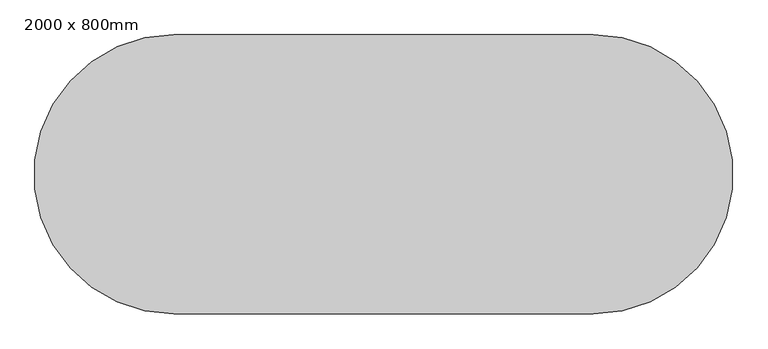
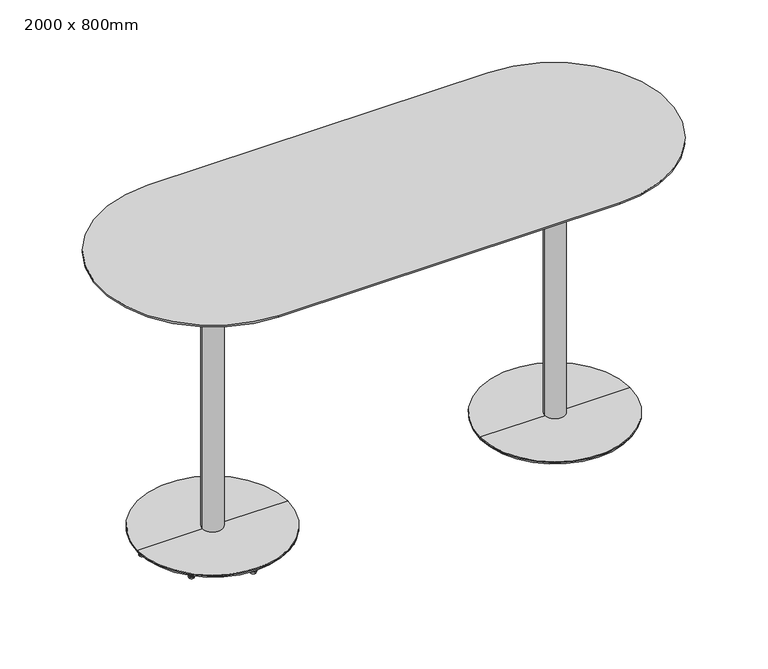
"""IFC4 building model written with IfcOpenShell, lengths in millimetres: furniture geometry, 2000 x 800mm."""

from ifc_helpers import new_model, si_unit, point, frame, frame_2d, origin, origin_2d, place, context, project, spatial, polyline, circle_curve, trimmed, segment, composite_curve, outline, extrude, source, transform, mapped, element, save
from ifc_brep_helpers import plane_surface, cylinder_surface, revolved_surface, advanced_brep


def furniture_2000_x_800mm_c455bba6(model_context):
    return source(origin(), model_context, "Body", "SolidModel", [
        advanced_brep(
        [(1206.1968359, 0.0, 22.6762868), (1470.4637976, 0.0, 22.6762868), (941.9298743, 0.0, 22.6762868), (1470.4637976, 0.0, 19.596791), (941.9298743, 0.0, 19.596791), (1468.5040424, 0.0, 19.596791), (943.8896295, 0.0, 19.596791), (1468.5040424, 0.0, 13.7177537), (943.8896295, 0.0, 13.7177537), (1206.1968359, 0.0, 13.7177537)],
        [
            (0, 1),
            (1, 2, circle_curve(frame((1206.1968359, 0.0, 22.6762868), z_axis=(0.0, 0.0, 1.0), x_axis=(1.0, 0.0, 0.0)), 264.2669616)),
            (2, 0),
            (2, 1, circle_curve(frame((1206.1968359, 0.0, 22.6762868), z_axis=(0.0, 0.0, 1.0), x_axis=(1.0, 0.0, 0.0)), 264.2669616)),
            (1, 3),
            (3, 4, circle_curve(frame((1206.1968359, 0.0, 19.596791), z_axis=(0.0, 0.0, 1.0), x_axis=(1.0, 0.0, 0.0)), 264.2669616)),
            (4, 2),
            (4, 3, circle_curve(frame((1206.1968359, 0.0, 19.596791), z_axis=(0.0, 0.0, 1.0), x_axis=(1.0, 0.0, 0.0)), 264.2669616)),
            (3, 5),
            (5, 6, circle_curve(frame((1206.1968359, 0.0, 19.596791), z_axis=(0.0, 0.0, 1.0), x_axis=(1.0, 0.0, 0.0)), 262.3072064)),
            (6, 4),
            (6, 5, circle_curve(frame((1206.1968359, 0.0, 19.596791), z_axis=(0.0, 0.0, 1.0), x_axis=(1.0, 0.0, 0.0)), 262.3072064)),
            (5, 7),
            (7, 8, circle_curve(frame((1206.1968359, 0.0, 13.7177537), z_axis=(0.0, 0.0, 1.0), x_axis=(1.0, 0.0, 0.0)), 262.3072064)),
            (8, 6),
            (8, 7, circle_curve(frame((1206.1968359, 0.0, 13.7177537), z_axis=(0.0, 0.0, 1.0), x_axis=(1.0, 0.0, 0.0)), 262.3072064)),
            (7, 9),
            (9, 8),
        ],
        [
            plane_surface(frame((1206.1968359, 0.0, 22.6762868), z_axis=(0.0, 0.0, 1.0), x_axis=(1.0, 0.0, 0.0))),
            cylinder_surface(frame((1206.1968359, 0.0, 22.6762868), z_axis=(0.0, 0.0, 1.0), x_axis=(1.0, 0.0, 0.0)), 264.2669616),
            plane_surface(frame((1206.1968359, 0.0, 19.596791), z_axis=(0.0, 0.0, -1.0), x_axis=(1.0, 0.0, 0.0))),
            cylinder_surface(frame((1206.1968359, 0.0, 22.6762868), z_axis=(0.0, 0.0, 1.0), x_axis=(1.0, 0.0, 0.0)), 262.3072064),
            plane_surface(frame((1206.1968359, 0.0, 13.7177537), z_axis=(0.0, 0.0, -1.0), x_axis=(1.0, 0.0, 0.0))),
        ],
        [
            (0, [[1, 2, 3]]),
            (0, [[-3, 4, -1]]),
            (1, [[-2, 5, 6, 7]]),
            (1, [[-4, -7, 8, -5]]),
            (2, [[-6, 9, 10, 11]]),
            (2, [[-8, -11, 12, -9]]),
            (3, [[-10, 13, 14, 15]]),
            (3, [[-12, -15, 16, -13]]),
            (4, [[-14, 17, 18]]),
            (4, [[-16, -18, -17]]),
        ],
    ),
        extrude(outline(composite_curve([segment(trimmed(circle_curve(frame_2d((1206.1968359, 0.0)), 35.56), [point((1241.7568359, 0.0))], [point((1170.6368359, 0.0))], False, "CARTESIAN"), True, "CONTINUOUS"), segment(trimmed(circle_curve(frame_2d((1206.1968359, 0.0)), 35.56), [point((1170.6368359, 0.0))], [point((1241.7568359, 0.0))], False, "CARTESIAN"), True, "CONTINUOUS")], self_intersect=False)), frame((0.0, 0.0, 22.6762868), z_axis=(0.0, 0.0, 1.0), x_axis=(1.0, 0.0, 0.0)), (0.0, 0.0, 1.0), 996.2488017),
        extrude(outline(polyline([(99.9999478, 168.5153562), (200.0000157, -4.6903452), (99.9999445, -177.8950728), (-99.9999356, -177.8950728), (-199.9997435, -4.6898216), (-99.9999478, 168.5153562), (99.9999478, 168.5153562)])), frame((0.0, 0.0, 1018.9250885), z_axis=(0.0, 0.0, 1.0), x_axis=(1.0, 0.0, 0.0)), (0.0, 0.0, 1.0), 5.0391748),
        advanced_brep(
        [(-175.8897158, 176.3714444, 13.7177537), (-182.3758839, 176.3714444, 13.7177537), (-169.4035477, 176.3714444, 13.7177537), (-182.3758839, 176.3714444, 9.5464368), (-169.4035477, 176.3714444, 9.5464368), (-179.2346763, 176.3714444, 9.5464368), (-172.5447553, 176.3714444, 9.5464368), (-179.2346763, 176.3714444, 6.7188998), (-172.5447553, 176.3714444, 6.7188998), (-182.935814, 176.3714444, 6.7188998), (-168.8436177, 176.3714444, 6.7188998), (-182.935814, 176.3714444, 5.5990832), (-168.8436177, 176.3714444, 5.5990832), (-186.0154293, 176.3714444, 5.5990832), (-165.7640024, 176.3714444, 5.5990832), (-184.8955692, 176.3714444, 0.0), (-166.8838625, 176.3714444, 0.0), (-175.8897158, 176.3714444, 0.0)],
        [
            (0, 1),
            (1, 2, circle_curve(frame((-175.8897158, 176.3714444, 13.7177537), z_axis=(0.0, 0.0, 1.0), x_axis=(-1.0, 0.0, 0.0)), 6.4861681)),
            (2, 0),
            (2, 1, circle_curve(frame((-175.8897158, 176.3714444, 13.7177537), z_axis=(0.0, 0.0, 1.0), x_axis=(-1.0, 0.0, 0.0)), 6.4861681)),
            (1, 3),
            (3, 4, circle_curve(frame((-175.8897158, 176.3714444, 9.5464368), z_axis=(0.0, 0.0, 1.0), x_axis=(-1.0, 0.0, 0.0)), 6.4861681)),
            (4, 2),
            (4, 3, circle_curve(frame((-175.8897158, 176.3714444, 9.5464368), z_axis=(0.0, 0.0, 1.0), x_axis=(-1.0, 0.0, 0.0)), 6.4861681)),
            (3, 5),
            (5, 6, circle_curve(frame((-175.8897158, 176.3714444, 9.5464368), z_axis=(0.0, 0.0, 1.0), x_axis=(-1.0, 0.0, 0.0)), 3.3449605)),
            (6, 4),
            (6, 5, circle_curve(frame((-175.8897158, 176.3714444, 9.5464368), z_axis=(0.0, 0.0, 1.0), x_axis=(-1.0, 0.0, 0.0)), 3.3449605)),
            (5, 7),
            (7, 8, circle_curve(frame((-175.8897158, 176.3714444, 6.7188998), z_axis=(0.0, 0.0, 1.0), x_axis=(-1.0, 0.0, 0.0)), 3.3449605)),
            (8, 6),
            (8, 7, circle_curve(frame((-175.8897158, 176.3714444, 6.7188998), z_axis=(0.0, 0.0, 1.0), x_axis=(-1.0, 0.0, 0.0)), 3.3449605)),
            (7, 9),
            (9, 10, circle_curve(frame((-175.8897158, 176.3714444, 6.7188998), z_axis=(0.0, 0.0, 1.0), x_axis=(-1.0, 0.0, 0.0)), 7.0460981)),
            (10, 8),
            (10, 9, circle_curve(frame((-175.8897158, 176.3714444, 6.7188998), z_axis=(0.0, 0.0, 1.0), x_axis=(-1.0, 0.0, 0.0)), 7.0460981)),
            (9, 11),
            (11, 12, circle_curve(frame((-175.8897158, 176.3714444, 5.5990832), z_axis=(0.0, 0.0, 1.0), x_axis=(-1.0, 0.0, 0.0)), 7.0460981)),
            (12, 10),
            (12, 11, circle_curve(frame((-175.8897158, 176.3714444, 5.5990832), z_axis=(0.0, 0.0, 1.0), x_axis=(-1.0, 0.0, 0.0)), 7.0460981)),
            (11, 13),
            (13, 14, circle_curve(frame((-175.8897158, 176.3714444, 5.5990832), z_axis=(0.0, 0.0, 1.0), x_axis=(-1.0, 0.0, 0.0)), 10.1257135)),
            (14, 12),
            (14, 13, circle_curve(frame((-175.8897158, 176.3714444, 5.5990832), z_axis=(0.0, 0.0, 1.0), x_axis=(-1.0, 0.0, 0.0)), 10.1257135)),
            (13, 15),
            (15, 16, circle_curve(frame((-175.8897158, 176.3714444, 0.0), z_axis=(0.0, 0.0, 1.0), x_axis=(-1.0, 0.0, 0.0)), 9.0058533)),
            (16, 14),
            (16, 15, circle_curve(frame((-175.8897158, 176.3714444, 0.0), z_axis=(0.0, 0.0, 1.0), x_axis=(-1.0, 0.0, 0.0)), 9.0058533)),
            (15, 17),
            (17, 16),
        ],
        [
            plane_surface(frame((-175.8897158, 176.3714444, 13.7177537), z_axis=(0.0, 0.0, 1.0), x_axis=(-1.0, 0.0, 0.0))),
            cylinder_surface(frame((-175.8897158, 176.3714444, 9.5464368), z_axis=(0.0, 0.0, 1.0), x_axis=(-1.0, 0.0, 0.0)), 6.4861681),
            plane_surface(frame((-175.8897158, 176.3714444, 9.5464368), z_axis=(0.0, 0.0, -1.0), x_axis=(-1.0, 0.0, 0.0))),
            cylinder_surface(frame((-175.8897158, 176.3714444, 9.5464368), z_axis=(0.0, 0.0, 1.0), x_axis=(-1.0, 0.0, 0.0)), 3.3449605),
            plane_surface(frame((-175.8897158, 176.3714444, 6.7188998), z_axis=(0.0, 0.0, 1.0), x_axis=(-1.0, 0.0, 0.0))),
            cylinder_surface(frame((-175.8897158, 176.3714444, 9.5464368), z_axis=(0.0, 0.0, 1.0), x_axis=(-1.0, 0.0, 0.0)), 7.0460981),
            plane_surface(frame((-175.8897158, 176.3714444, 5.5990832), z_axis=(0.0, 0.0, 1.0), x_axis=(-1.0, 0.0, 0.0))),
            revolved_surface(polyline([(-184.8955692, 176.3714444, 0.0), (-186.0154293, 176.3714444, 5.5990832)]), (-175.8897158, 176.3714444, 9.5464368), (0.0, 0.0, 1.0)),
            plane_surface(frame((-175.8897158, 176.3714444, 0.0), z_axis=(0.0, 0.0, -1.0), x_axis=(-1.0, 0.0, 0.0))),
        ],
        [
            (0, [[1, 2, 3]]),
            (0, [[-3, 4, -1]]),
            (1, [[-2, 5, 6, 7]]),
            (1, [[-4, -7, 8, -5]]),
            (2, [[-6, 9, 10, 11]]),
            (2, [[-8, -11, 12, -9]]),
            (3, [[-10, 13, 14, 15]]),
            (3, [[-12, -15, 16, -13]]),
            (4, [[-14, 17, 18, 19]]),
            (4, [[-16, -19, 20, -17]]),
            (5, [[-18, 21, 22, 23]]),
            (5, [[-20, -23, 24, -21]]),
            (6, [[-22, 25, 26, 27]]),
            (6, [[-24, -27, 28, -25]]),
            (7, [[-26, 29, 30, 31]]),
            (7, [[-28, -31, 32, -29]]),
            (8, [[-30, 33, 34]]),
            (8, [[-32, -34, -33]]),
        ],
    ),
        advanced_brep(
        [(176.3714444, -169.4035477, 13.7177537), (176.3714444, -182.3758839, 13.7177537), (176.3714444, -175.8897158, 13.7177537), (176.3714444, -169.4035477, 9.5464368), (176.3714444, -182.3758839, 9.5464368), (176.3714444, -172.5447553, 9.5464368), (176.3714444, -179.2346763, 9.5464368), (176.3714444, -172.5447553, 6.7188998), (176.3714444, -179.2346763, 6.7188998), (176.3714444, -168.8436177, 6.7188998), (176.3714444, -182.935814, 6.7188998), (176.3714444, -168.8436177, 5.5990832), (176.3714444, -182.935814, 5.5990832), (176.3714444, -165.7640024, 5.5990832), (176.3714444, -186.0154293, 5.5990832), (176.3714444, -166.8838625, 0.0), (176.3714444, -184.8955692, 0.0), (176.3714444, -175.8897158, 0.0)],
        [
            (0, 1, circle_curve(frame((176.3714444, -175.8897158, 13.7177537), z_axis=(0.0, 0.0, 1.0), x_axis=(0.0, -1.0, 0.0)), 6.4861681)),
            (1, 2),
            (2, 0),
            (1, 0, circle_curve(frame((176.3714444, -175.8897158, 13.7177537), z_axis=(0.0, 0.0, 1.0), x_axis=(0.0, -1.0, 0.0)), 6.4861681)),
            (3, 4, circle_curve(frame((176.3714444, -175.8897158, 9.5464368), z_axis=(0.0, 0.0, 1.0), x_axis=(0.0, -1.0, 0.0)), 6.4861681)),
            (4, 1),
            (0, 3),
            (4, 3, circle_curve(frame((176.3714444, -175.8897158, 9.5464368), z_axis=(0.0, 0.0, 1.0), x_axis=(0.0, -1.0, 0.0)), 6.4861681)),
            (5, 6, circle_curve(frame((176.3714444, -175.8897158, 9.5464368), z_axis=(0.0, 0.0, 1.0), x_axis=(0.0, -1.0, 0.0)), 3.3449605)),
            (6, 4),
            (3, 5),
            (6, 5, circle_curve(frame((176.3714444, -175.8897158, 9.5464368), z_axis=(0.0, 0.0, 1.0), x_axis=(0.0, -1.0, 0.0)), 3.3449605)),
            (7, 8, circle_curve(frame((176.3714444, -175.8897158, 6.7188998), z_axis=(0.0, 0.0, 1.0), x_axis=(0.0, -1.0, 0.0)), 3.3449605)),
            (8, 6),
            (5, 7),
            (8, 7, circle_curve(frame((176.3714444, -175.8897158, 6.7188998), z_axis=(0.0, 0.0, 1.0), x_axis=(0.0, -1.0, 0.0)), 3.3449605)),
            (9, 10, circle_curve(frame((176.3714444, -175.8897158, 6.7188998), z_axis=(0.0, 0.0, 1.0), x_axis=(0.0, -1.0, 0.0)), 7.0460981)),
            (10, 8),
            (7, 9),
            (10, 9, circle_curve(frame((176.3714444, -175.8897158, 6.7188998), z_axis=(0.0, 0.0, 1.0), x_axis=(0.0, -1.0, 0.0)), 7.0460981)),
            (11, 12, circle_curve(frame((176.3714444, -175.8897158, 5.5990832), z_axis=(0.0, 0.0, 1.0), x_axis=(0.0, -1.0, 0.0)), 7.0460981)),
            (12, 10),
            (9, 11),
            (12, 11, circle_curve(frame((176.3714444, -175.8897158, 5.5990832), z_axis=(0.0, 0.0, 1.0), x_axis=(0.0, -1.0, 0.0)), 7.0460981)),
            (13, 14, circle_curve(frame((176.3714444, -175.8897158, 5.5990832), z_axis=(0.0, 0.0, 1.0), x_axis=(0.0, -1.0, 0.0)), 10.1257135)),
            (14, 12),
            (11, 13),
            (14, 13, circle_curve(frame((176.3714444, -175.8897158, 5.5990832), z_axis=(0.0, 0.0, 1.0), x_axis=(0.0, -1.0, 0.0)), 10.1257135)),
            (15, 16, circle_curve(frame((176.3714444, -175.8897158, 0.0), z_axis=(0.0, 0.0, 1.0), x_axis=(0.0, -1.0, 0.0)), 9.0058533)),
            (16, 14),
            (13, 15),
            (16, 15, circle_curve(frame((176.3714444, -175.8897158, 0.0), z_axis=(0.0, 0.0, 1.0), x_axis=(0.0, -1.0, 0.0)), 9.0058533)),
            (17, 16),
            (15, 17),
        ],
        [
            plane_surface(frame((176.3714444, -175.8897158, 13.7177537), z_axis=(0.0, 0.0, 1.0), x_axis=(0.0, -1.0, 0.0))),
            cylinder_surface(frame((176.3714444, -175.8897158, 9.5464368), z_axis=(0.0, 0.0, -1.0), x_axis=(0.0, -1.0, 0.0)), 6.4861681),
            plane_surface(frame((176.3714444, -175.8897158, 9.5464368), z_axis=(0.0, 0.0, -1.0), x_axis=(0.0, -1.0, 0.0))),
            cylinder_surface(frame((176.3714444, -175.8897158, 9.5464368), z_axis=(0.0, 0.0, -1.0), x_axis=(0.0, -1.0, 0.0)), 3.3449605),
            plane_surface(frame((176.3714444, -175.8897158, 6.7188998), z_axis=(0.0, 0.0, 1.0), x_axis=(0.0, -1.0, 0.0))),
            cylinder_surface(frame((176.3714444, -175.8897158, 9.5464368), z_axis=(0.0, 0.0, -1.0), x_axis=(0.0, -1.0, 0.0)), 7.0460981),
            plane_surface(frame((176.3714444, -175.8897158, 5.5990832), z_axis=(0.0, 0.0, 1.0), x_axis=(0.0, -1.0, 0.0))),
            revolved_surface(polyline([(176.3714444, -186.0154293, 5.5990832), (176.3714444, -184.8955692, 0.0)]), (176.3714444, -175.8897158, 9.5464368), (0.0, 0.0, -1.0)),
            plane_surface(frame((176.3714444, -175.8897158, 0.0), z_axis=(0.0, 0.0, -1.0), x_axis=(0.0, -1.0, 0.0))),
        ],
        [
            (0, [[1, 2, 3]]),
            (0, [[4, -3, -2]]),
            (1, [[5, 6, -1, 7]]),
            (1, [[8, -7, -4, -6]]),
            (2, [[9, 10, -5, 11]]),
            (2, [[12, -11, -8, -10]]),
            (3, [[13, 14, -9, 15]]),
            (3, [[16, -15, -12, -14]]),
            (4, [[17, 18, -13, 19]]),
            (4, [[20, -19, -16, -18]]),
            (5, [[21, 22, -17, 23]]),
            (5, [[24, -23, -20, -22]]),
            (6, [[25, 26, -21, 27]]),
            (6, [[28, -27, -24, -26]]),
            (7, [[29, 30, -25, 31]]),
            (7, [[32, -31, -28, -30]]),
            (8, [[33, -29, 34]]),
            (8, [[-34, -32, -33]]),
        ],
    ),
        advanced_brep(
        [(-176.3170223, -170.3861024, 13.7177537), (-176.3170223, -183.3584386, 13.7177537), (-176.3170223, -176.8722705, 13.7177537), (-176.3170223, -170.3861024, 9.5464368), (-176.3170223, -183.3584386, 9.5464368), (-176.3170223, -173.52731, 9.5464368), (-176.3170223, -180.217231, 9.5464368), (-176.3170223, -173.52731, 6.7188998), (-176.3170223, -180.217231, 6.7188998), (-176.3170223, -169.8261723, 6.7188998), (-176.3170223, -183.9183686, 6.7188998), (-176.3170223, -169.8261723, 5.5990832), (-176.3170223, -183.9183686, 5.5990832), (-176.3170223, -166.746557, 5.5990832), (-176.3170223, -186.9979839, 5.5990832), (-176.3170223, -167.8664171, 0.0), (-176.3170223, -185.8781238, 0.0), (-176.3170223, -176.8722705, 0.0)],
        [
            (0, 1, circle_curve(frame((-176.3170223, -176.8722705, 13.7177537), z_axis=(0.0, 0.0, 1.0), x_axis=(0.0, -1.0, 0.0)), 6.4861681)),
            (1, 2),
            (2, 0),
            (1, 0, circle_curve(frame((-176.3170223, -176.8722705, 13.7177537), z_axis=(0.0, 0.0, 1.0), x_axis=(0.0, -1.0, 0.0)), 6.4861681)),
            (3, 4, circle_curve(frame((-176.3170223, -176.8722705, 9.5464368), z_axis=(0.0, 0.0, 1.0), x_axis=(0.0, -1.0, 0.0)), 6.4861681)),
            (4, 1),
            (0, 3),
            (4, 3, circle_curve(frame((-176.3170223, -176.8722705, 9.5464368), z_axis=(0.0, 0.0, 1.0), x_axis=(0.0, -1.0, 0.0)), 6.4861681)),
            (5, 6, circle_curve(frame((-176.3170223, -176.8722705, 9.5464368), z_axis=(0.0, 0.0, 1.0), x_axis=(0.0, -1.0, 0.0)), 3.3449605)),
            (6, 4),
            (3, 5),
            (6, 5, circle_curve(frame((-176.3170223, -176.8722705, 9.5464368), z_axis=(0.0, 0.0, 1.0), x_axis=(0.0, -1.0, 0.0)), 3.3449605)),
            (7, 8, circle_curve(frame((-176.3170223, -176.8722705, 6.7188998), z_axis=(0.0, 0.0, 1.0), x_axis=(0.0, -1.0, 0.0)), 3.3449605)),
            (8, 6),
            (5, 7),
            (8, 7, circle_curve(frame((-176.3170223, -176.8722705, 6.7188998), z_axis=(0.0, 0.0, 1.0), x_axis=(0.0, -1.0, 0.0)), 3.3449605)),
            (9, 10, circle_curve(frame((-176.3170223, -176.8722705, 6.7188998), z_axis=(0.0, 0.0, 1.0), x_axis=(0.0, -1.0, 0.0)), 7.0460981)),
            (10, 8),
            (7, 9),
            (10, 9, circle_curve(frame((-176.3170223, -176.8722705, 6.7188998), z_axis=(0.0, 0.0, 1.0), x_axis=(0.0, -1.0, 0.0)), 7.0460981)),
            (11, 12, circle_curve(frame((-176.3170223, -176.8722705, 5.5990832), z_axis=(0.0, 0.0, 1.0), x_axis=(0.0, -1.0, 0.0)), 7.0460981)),
            (12, 10),
            (9, 11),
            (12, 11, circle_curve(frame((-176.3170223, -176.8722705, 5.5990832), z_axis=(0.0, 0.0, 1.0), x_axis=(0.0, -1.0, 0.0)), 7.0460981)),
            (13, 14, circle_curve(frame((-176.3170223, -176.8722705, 5.5990832), z_axis=(0.0, 0.0, 1.0), x_axis=(0.0, -1.0, 0.0)), 10.1257135)),
            (14, 12),
            (11, 13),
            (14, 13, circle_curve(frame((-176.3170223, -176.8722705, 5.5990832), z_axis=(0.0, 0.0, 1.0), x_axis=(0.0, -1.0, 0.0)), 10.1257135)),
            (15, 16, circle_curve(frame((-176.3170223, -176.8722705, 0.0), z_axis=(0.0, 0.0, 1.0), x_axis=(0.0, -1.0, 0.0)), 9.0058533)),
            (16, 14),
            (13, 15),
            (16, 15, circle_curve(frame((-176.3170223, -176.8722705, 0.0), z_axis=(0.0, 0.0, 1.0), x_axis=(0.0, -1.0, 0.0)), 9.0058533)),
            (17, 16),
            (15, 17),
        ],
        [
            plane_surface(frame((-176.3170223, -176.8722705, 13.7177537), z_axis=(0.0, 0.0, 1.0), x_axis=(0.0, -1.0, 0.0))),
            cylinder_surface(frame((-176.3170223, -176.8722705, 9.5464368), z_axis=(0.0, 0.0, -1.0), x_axis=(0.0, -1.0, 0.0)), 6.4861681),
            plane_surface(frame((-176.3170223, -176.8722705, 9.5464368), z_axis=(0.0, 0.0, -1.0), x_axis=(0.0, -1.0, 0.0))),
            cylinder_surface(frame((-176.3170223, -176.8722705, 9.5464368), z_axis=(0.0, 0.0, -1.0), x_axis=(0.0, -1.0, 0.0)), 3.3449605),
            plane_surface(frame((-176.3170223, -176.8722705, 6.7188998), z_axis=(0.0, 0.0, 1.0), x_axis=(0.0, -1.0, 0.0))),
            cylinder_surface(frame((-176.3170223, -176.8722705, 9.5464368), z_axis=(0.0, 0.0, -1.0), x_axis=(0.0, -1.0, 0.0)), 7.0460981),
            plane_surface(frame((-176.3170223, -176.8722705, 5.5990832), z_axis=(0.0, 0.0, 1.0), x_axis=(0.0, -1.0, 0.0))),
            revolved_surface(polyline([(-176.3170223, -186.9979839, 5.5990832), (-176.3170223, -185.8781238, 0.0)]), (-176.3170223, -176.8722705, 9.5464368), (0.0, 0.0, -1.0)),
            plane_surface(frame((-176.3170223, -176.8722705, 0.0), z_axis=(0.0, 0.0, -1.0), x_axis=(0.0, -1.0, 0.0))),
        ],
        [
            (0, [[1, 2, 3]]),
            (0, [[4, -3, -2]]),
            (1, [[5, 6, -1, 7]]),
            (1, [[8, -7, -4, -6]]),
            (2, [[9, 10, -5, 11]]),
            (2, [[12, -11, -8, -10]]),
            (3, [[13, 14, -9, 15]]),
            (3, [[16, -15, -12, -14]]),
            (4, [[17, 18, -13, 19]]),
            (4, [[20, -19, -16, -18]]),
            (5, [[21, 22, -17, 23]]),
            (5, [[24, -23, -20, -22]]),
            (6, [[25, 26, -21, 27]]),
            (6, [[28, -27, -24, -26]]),
            (7, [[29, 30, -25, 31]]),
            (7, [[32, -31, -28, -30]]),
            (8, [[33, -29, 34]]),
            (8, [[-34, -32, -33]]),
        ],
    ),
        advanced_brep(
        [(176.8722705, 176.3170223, 13.7177537), (183.3584386, 176.3170223, 13.7177537), (170.3861024, 176.3170223, 13.7177537), (183.3584386, 176.3170223, 9.5464368), (170.3861024, 176.3170223, 9.5464368), (180.217231, 176.3170223, 9.5464368), (173.52731, 176.3170223, 9.5464368), (180.217231, 176.3170223, 6.7188998), (173.52731, 176.3170223, 6.7188998), (183.9183686, 176.3170223, 6.7188998), (169.8261723, 176.3170223, 6.7188998), (183.9183686, 176.3170223, 5.5990832), (169.8261723, 176.3170223, 5.5990832), (186.9979839, 176.3170223, 5.5990832), (166.746557, 176.3170223, 5.5990832), (185.8781238, 176.3170223, 0.0), (167.8664171, 176.3170223, 0.0), (176.8722705, 176.3170223, 0.0)],
        [
            (0, 1),
            (1, 2, circle_curve(frame((176.8722705, 176.3170223, 13.7177537), z_axis=(0.0, 0.0, 1.0), x_axis=(1.0, 0.0, 0.0)), 6.4861681)),
            (2, 0),
            (2, 1, circle_curve(frame((176.8722705, 176.3170223, 13.7177537), z_axis=(0.0, 0.0, 1.0), x_axis=(1.0, 0.0, 0.0)), 6.4861681)),
            (1, 3),
            (3, 4, circle_curve(frame((176.8722705, 176.3170223, 9.5464368), z_axis=(0.0, 0.0, 1.0), x_axis=(1.0, 0.0, 0.0)), 6.4861681)),
            (4, 2),
            (4, 3, circle_curve(frame((176.8722705, 176.3170223, 9.5464368), z_axis=(0.0, 0.0, 1.0), x_axis=(1.0, 0.0, 0.0)), 6.4861681)),
            (3, 5),
            (5, 6, circle_curve(frame((176.8722705, 176.3170223, 9.5464368), z_axis=(0.0, 0.0, 1.0), x_axis=(1.0, 0.0, 0.0)), 3.3449605)),
            (6, 4),
            (6, 5, circle_curve(frame((176.8722705, 176.3170223, 9.5464368), z_axis=(0.0, 0.0, 1.0), x_axis=(1.0, 0.0, 0.0)), 3.3449605)),
            (5, 7),
            (7, 8, circle_curve(frame((176.8722705, 176.3170223, 6.7188998), z_axis=(0.0, 0.0, 1.0), x_axis=(1.0, 0.0, 0.0)), 3.3449605)),
            (8, 6),
            (8, 7, circle_curve(frame((176.8722705, 176.3170223, 6.7188998), z_axis=(0.0, 0.0, 1.0), x_axis=(1.0, 0.0, 0.0)), 3.3449605)),
            (7, 9),
            (9, 10, circle_curve(frame((176.8722705, 176.3170223, 6.7188998), z_axis=(0.0, 0.0, 1.0), x_axis=(1.0, 0.0, 0.0)), 7.0460981)),
            (10, 8),
            (10, 9, circle_curve(frame((176.8722705, 176.3170223, 6.7188998), z_axis=(0.0, 0.0, 1.0), x_axis=(1.0, 0.0, 0.0)), 7.0460981)),
            (9, 11),
            (11, 12, circle_curve(frame((176.8722705, 176.3170223, 5.5990832), z_axis=(0.0, 0.0, 1.0), x_axis=(1.0, 0.0, 0.0)), 7.0460981)),
            (12, 10),
            (12, 11, circle_curve(frame((176.8722705, 176.3170223, 5.5990832), z_axis=(0.0, 0.0, 1.0), x_axis=(1.0, 0.0, 0.0)), 7.0460981)),
            (11, 13),
            (13, 14, circle_curve(frame((176.8722705, 176.3170223, 5.5990832), z_axis=(0.0, 0.0, 1.0), x_axis=(1.0, 0.0, 0.0)), 10.1257135)),
            (14, 12),
            (14, 13, circle_curve(frame((176.8722705, 176.3170223, 5.5990832), z_axis=(0.0, 0.0, 1.0), x_axis=(1.0, 0.0, 0.0)), 10.1257135)),
            (13, 15),
            (15, 16, circle_curve(frame((176.8722705, 176.3170223, 0.0), z_axis=(0.0, 0.0, 1.0), x_axis=(1.0, 0.0, 0.0)), 9.0058533)),
            (16, 14),
            (16, 15, circle_curve(frame((176.8722705, 176.3170223, 0.0), z_axis=(0.0, 0.0, 1.0), x_axis=(1.0, 0.0, 0.0)), 9.0058533)),
            (15, 17),
            (17, 16),
        ],
        [
            plane_surface(frame((176.8722705, 176.3170223, 13.7177537), z_axis=(0.0, 0.0, 1.0), x_axis=(1.0, 0.0, 0.0))),
            cylinder_surface(frame((176.8722705, 176.3170223, 9.5464368), z_axis=(0.0, 0.0, 1.0), x_axis=(1.0, 0.0, 0.0)), 6.4861681),
            plane_surface(frame((176.8722705, 176.3170223, 9.5464368), z_axis=(0.0, 0.0, -1.0), x_axis=(1.0, 0.0, 0.0))),
            cylinder_surface(frame((176.8722705, 176.3170223, 9.5464368), z_axis=(0.0, 0.0, 1.0), x_axis=(1.0, 0.0, 0.0)), 3.3449605),
            plane_surface(frame((176.8722705, 176.3170223, 6.7188998), z_axis=(0.0, 0.0, 1.0), x_axis=(1.0, 0.0, 0.0))),
            cylinder_surface(frame((176.8722705, 176.3170223, 9.5464368), z_axis=(0.0, 0.0, 1.0), x_axis=(1.0, 0.0, 0.0)), 7.0460981),
            plane_surface(frame((176.8722705, 176.3170223, 5.5990832), z_axis=(0.0, 0.0, 1.0), x_axis=(1.0, 0.0, 0.0))),
            revolved_surface(polyline([(185.8781238, 176.3170223, 0.0), (186.9979839, 176.3170223, 5.5990832)]), (176.8722705, 176.3170223, 9.5464368), (0.0, 0.0, 1.0)),
            plane_surface(frame((176.8722705, 176.3170223, 0.0), z_axis=(0.0, 0.0, -1.0), x_axis=(1.0, 0.0, 0.0))),
        ],
        [
            (0, [[1, 2, 3]]),
            (0, [[-3, 4, -1]]),
            (1, [[-2, 5, 6, 7]]),
            (1, [[-4, -7, 8, -5]]),
            (2, [[-6, 9, 10, 11]]),
            (2, [[-8, -11, 12, -9]]),
            (3, [[-10, 13, 14, 15]]),
            (3, [[-12, -15, 16, -13]]),
            (4, [[-14, 17, 18, 19]]),
            (4, [[-16, -19, 20, -17]]),
            (5, [[-18, 21, 22, 23]]),
            (5, [[-20, -23, 24, -21]]),
            (6, [[-22, 25, 26, 27]]),
            (6, [[-24, -27, 28, -25]]),
            (7, [[-26, 29, 30, 31]]),
            (7, [[-28, -31, 32, -29]]),
            (8, [[-30, 33, 34]]),
            (8, [[-32, -34, -33]]),
        ],
    ),
        advanced_brep(
        [(0.0, 242.3827083, 13.7177537), (0.0, 255.3550445, 13.7177537), (0.0, 248.8688764, 13.7177537), (0.0, 242.3827083, 9.5464368), (0.0, 255.3550445, 9.5464368), (0.0, 245.5239159, 9.5464368), (0.0, 252.2138369, 9.5464368), (0.0, 245.5239159, 6.7188998), (0.0, 252.2138369, 6.7188998), (0.0, 241.8227782, 6.7188998), (0.0, 255.9149745, 6.7188998), (0.0, 241.8227782, 5.5990832), (0.0, 255.9149745, 5.5990832), (0.0, 238.7431629, 5.5990832), (0.0, 258.9945898, 5.5990832), (0.0, 239.863023, 0.0), (0.0, 257.8747297, 0.0), (0.0, 248.8688764, 0.0)],
        [
            (0, 1, circle_curve(frame((0.0, 248.8688764, 13.7177537), z_axis=(0.0, 0.0, 1.0), x_axis=(0.0, 1.0, 0.0)), 6.4861681)),
            (1, 2),
            (2, 0),
            (1, 0, circle_curve(frame((0.0, 248.8688764, 13.7177537), z_axis=(0.0, 0.0, 1.0), x_axis=(0.0, 1.0, 0.0)), 6.4861681)),
            (3, 4, circle_curve(frame((0.0, 248.8688764, 9.5464368), z_axis=(0.0, 0.0, 1.0), x_axis=(0.0, 1.0, 0.0)), 6.4861681)),
            (4, 1),
            (0, 3),
            (4, 3, circle_curve(frame((0.0, 248.8688764, 9.5464368), z_axis=(0.0, 0.0, 1.0), x_axis=(0.0, 1.0, 0.0)), 6.4861681)),
            (5, 6, circle_curve(frame((0.0, 248.8688764, 9.5464368), z_axis=(0.0, 0.0, 1.0), x_axis=(0.0, 1.0, 0.0)), 3.3449605)),
            (6, 4),
            (3, 5),
            (6, 5, circle_curve(frame((0.0, 248.8688764, 9.5464368), z_axis=(0.0, 0.0, 1.0), x_axis=(0.0, 1.0, 0.0)), 3.3449605)),
            (7, 8, circle_curve(frame((0.0, 248.8688764, 6.7188998), z_axis=(0.0, 0.0, 1.0), x_axis=(0.0, 1.0, 0.0)), 3.3449605)),
            (8, 6),
            (5, 7),
            (8, 7, circle_curve(frame((0.0, 248.8688764, 6.7188998), z_axis=(0.0, 0.0, 1.0), x_axis=(0.0, 1.0, 0.0)), 3.3449605)),
            (9, 10, circle_curve(frame((0.0, 248.8688764, 6.7188998), z_axis=(0.0, 0.0, 1.0), x_axis=(0.0, 1.0, 0.0)), 7.0460981)),
            (10, 8),
            (7, 9),
            (10, 9, circle_curve(frame((0.0, 248.8688764, 6.7188998), z_axis=(0.0, 0.0, 1.0), x_axis=(0.0, 1.0, 0.0)), 7.0460981)),
            (11, 12, circle_curve(frame((0.0, 248.8688764, 5.5990832), z_axis=(0.0, 0.0, 1.0), x_axis=(0.0, 1.0, 0.0)), 7.0460981)),
            (12, 10),
            (9, 11),
            (12, 11, circle_curve(frame((0.0, 248.8688764, 5.5990832), z_axis=(0.0, 0.0, 1.0), x_axis=(0.0, 1.0, 0.0)), 7.0460981)),
            (13, 14, circle_curve(frame((0.0, 248.8688764, 5.5990832), z_axis=(0.0, 0.0, 1.0), x_axis=(0.0, 1.0, 0.0)), 10.1257135)),
            (14, 12),
            (11, 13),
            (14, 13, circle_curve(frame((0.0, 248.8688764, 5.5990832), z_axis=(0.0, 0.0, 1.0), x_axis=(0.0, 1.0, 0.0)), 10.1257135)),
            (15, 16, circle_curve(frame((0.0, 248.8688764, 0.0), z_axis=(0.0, 0.0, 1.0), x_axis=(0.0, 1.0, 0.0)), 9.0058533)),
            (16, 14),
            (13, 15),
            (16, 15, circle_curve(frame((0.0, 248.8688764, 0.0), z_axis=(0.0, 0.0, 1.0), x_axis=(0.0, 1.0, 0.0)), 9.0058533)),
            (17, 16),
            (15, 17),
        ],
        [
            plane_surface(frame((0.0, 248.8688764, 13.7177537), z_axis=(0.0, 0.0, 1.0), x_axis=(0.0, 1.0, 0.0))),
            cylinder_surface(frame((0.0, 248.8688764, 9.5464368), z_axis=(0.0, 0.0, -1.0), x_axis=(0.0, 1.0, 0.0)), 6.4861681),
            plane_surface(frame((0.0, 248.8688764, 9.5464368), z_axis=(0.0, 0.0, -1.0), x_axis=(0.0, 1.0, 0.0))),
            cylinder_surface(frame((0.0, 248.8688764, 9.5464368), z_axis=(0.0, 0.0, -1.0), x_axis=(0.0, 1.0, 0.0)), 3.3449605),
            plane_surface(frame((0.0, 248.8688764, 6.7188998), z_axis=(0.0, 0.0, 1.0), x_axis=(0.0, 1.0, 0.0))),
            cylinder_surface(frame((0.0, 248.8688764, 9.5464368), z_axis=(0.0, 0.0, -1.0), x_axis=(0.0, 1.0, 0.0)), 7.0460981),
            plane_surface(frame((0.0, 248.8688764, 5.5990832), z_axis=(0.0, 0.0, 1.0), x_axis=(0.0, 1.0, 0.0))),
            revolved_surface(polyline([(0.0, 258.9945898, 5.5990832), (0.0, 257.8747297, 0.0)]), (0.0, 248.8688764, 9.5464368), (0.0, 0.0, -1.0)),
            plane_surface(frame((0.0, 248.8688764, 0.0), z_axis=(0.0, 0.0, -1.0), x_axis=(0.0, 1.0, 0.0))),
        ],
        [
            (0, [[1, 2, 3]]),
            (0, [[4, -3, -2]]),
            (1, [[5, 6, -1, 7]]),
            (1, [[8, -7, -4, -6]]),
            (2, [[9, 10, -5, 11]]),
            (2, [[12, -11, -8, -10]]),
            (3, [[13, 14, -9, 15]]),
            (3, [[16, -15, -12, -14]]),
            (4, [[17, 18, -13, 19]]),
            (4, [[20, -19, -16, -18]]),
            (5, [[21, 22, -17, 23]]),
            (5, [[24, -23, -20, -22]]),
            (6, [[25, 26, -21, 27]]),
            (6, [[28, -27, -24, -26]]),
            (7, [[29, 30, -25, 31]]),
            (7, [[32, -31, -28, -30]]),
            (8, [[33, -29, 34]]),
            (8, [[-34, -32, -33]]),
        ],
    ),
        advanced_brep(
        [(0.0, -242.3827083, 13.7177537), (0.0, -255.3550445, 13.7177537), (0.0, -248.8688764, 13.7177537), (0.0, -242.3827083, 9.5464368), (0.0, -255.3550445, 9.5464368), (0.0, -245.5239159, 9.5464368), (0.0, -252.2138369, 9.5464368), (0.0, -245.5239159, 6.7188998), (0.0, -252.2138369, 6.7188998), (0.0, -241.8227782, 6.7188998), (0.0, -255.9149745, 6.7188998), (0.0, -241.8227782, 5.5990832), (0.0, -255.9149745, 5.5990832), (0.0, -238.7431629, 5.5990832), (0.0, -258.9945898, 5.5990832), (0.0, -239.863023, 0.0), (0.0, -257.8747297, 0.0), (0.0, -248.8688764, 0.0)],
        [
            (0, 1, circle_curve(frame((0.0, -248.8688764, 13.7177537), z_axis=(0.0, 0.0, 1.0), x_axis=(0.0, -1.0, 0.0)), 6.4861681)),
            (1, 2),
            (2, 0),
            (1, 0, circle_curve(frame((0.0, -248.8688764, 13.7177537), z_axis=(0.0, 0.0, 1.0), x_axis=(0.0, -1.0, 0.0)), 6.4861681)),
            (3, 4, circle_curve(frame((0.0, -248.8688764, 9.5464368), z_axis=(0.0, 0.0, 1.0), x_axis=(0.0, -1.0, 0.0)), 6.4861681)),
            (4, 1),
            (0, 3),
            (4, 3, circle_curve(frame((0.0, -248.8688764, 9.5464368), z_axis=(0.0, 0.0, 1.0), x_axis=(0.0, -1.0, 0.0)), 6.4861681)),
            (5, 6, circle_curve(frame((0.0, -248.8688764, 9.5464368), z_axis=(0.0, 0.0, 1.0), x_axis=(0.0, -1.0, 0.0)), 3.3449605)),
            (6, 4),
            (3, 5),
            (6, 5, circle_curve(frame((0.0, -248.8688764, 9.5464368), z_axis=(0.0, 0.0, 1.0), x_axis=(0.0, -1.0, 0.0)), 3.3449605)),
            (7, 8, circle_curve(frame((0.0, -248.8688764, 6.7188998), z_axis=(0.0, 0.0, 1.0), x_axis=(0.0, -1.0, 0.0)), 3.3449605)),
            (8, 6),
            (5, 7),
            (8, 7, circle_curve(frame((0.0, -248.8688764, 6.7188998), z_axis=(0.0, 0.0, 1.0), x_axis=(0.0, -1.0, 0.0)), 3.3449605)),
            (9, 10, circle_curve(frame((0.0, -248.8688764, 6.7188998), z_axis=(0.0, 0.0, 1.0), x_axis=(0.0, -1.0, 0.0)), 7.0460981)),
            (10, 8),
            (7, 9),
            (10, 9, circle_curve(frame((0.0, -248.8688764, 6.7188998), z_axis=(0.0, 0.0, 1.0), x_axis=(0.0, -1.0, 0.0)), 7.0460981)),
            (11, 12, circle_curve(frame((0.0, -248.8688764, 5.5990832), z_axis=(0.0, 0.0, 1.0), x_axis=(0.0, -1.0, 0.0)), 7.0460981)),
            (12, 10),
            (9, 11),
            (12, 11, circle_curve(frame((0.0, -248.8688764, 5.5990832), z_axis=(0.0, 0.0, 1.0), x_axis=(0.0, -1.0, 0.0)), 7.0460981)),
            (13, 14, circle_curve(frame((0.0, -248.8688764, 5.5990832), z_axis=(0.0, 0.0, 1.0), x_axis=(0.0, -1.0, 0.0)), 10.1257135)),
            (14, 12),
            (11, 13),
            (14, 13, circle_curve(frame((0.0, -248.8688764, 5.5990832), z_axis=(0.0, 0.0, 1.0), x_axis=(0.0, -1.0, 0.0)), 10.1257135)),
            (15, 16, circle_curve(frame((0.0, -248.8688764, 0.0), z_axis=(0.0, 0.0, 1.0), x_axis=(0.0, -1.0, 0.0)), 9.0058533)),
            (16, 14),
            (13, 15),
            (16, 15, circle_curve(frame((0.0, -248.8688764, 0.0), z_axis=(0.0, 0.0, 1.0), x_axis=(0.0, -1.0, 0.0)), 9.0058533)),
            (17, 16),
            (15, 17),
        ],
        [
            plane_surface(frame((0.0, -248.8688764, 13.7177537), z_axis=(0.0, 0.0, 1.0), x_axis=(0.0, -1.0, 0.0))),
            cylinder_surface(frame((0.0, -248.8688764, 9.5464368), z_axis=(0.0, 0.0, -1.0), x_axis=(0.0, -1.0, 0.0)), 6.4861681),
            plane_surface(frame((0.0, -248.8688764, 9.5464368), z_axis=(0.0, 0.0, -1.0), x_axis=(0.0, -1.0, 0.0))),
            cylinder_surface(frame((0.0, -248.8688764, 9.5464368), z_axis=(0.0, 0.0, -1.0), x_axis=(0.0, -1.0, 0.0)), 3.3449605),
            plane_surface(frame((0.0, -248.8688764, 6.7188998), z_axis=(0.0, 0.0, 1.0), x_axis=(0.0, -1.0, 0.0))),
            cylinder_surface(frame((0.0, -248.8688764, 9.5464368), z_axis=(0.0, 0.0, -1.0), x_axis=(0.0, -1.0, 0.0)), 7.0460981),
            plane_surface(frame((0.0, -248.8688764, 5.5990832), z_axis=(0.0, 0.0, 1.0), x_axis=(0.0, -1.0, 0.0))),
            revolved_surface(polyline([(0.0, -258.9945898, 5.5990832), (0.0, -257.8747297, 0.0)]), (0.0, -248.8688764, 9.5464368), (0.0, 0.0, -1.0)),
            plane_surface(frame((0.0, -248.8688764, 0.0), z_axis=(0.0, 0.0, -1.0), x_axis=(0.0, -1.0, 0.0))),
        ],
        [
            (0, [[1, 2, 3]]),
            (0, [[4, -3, -2]]),
            (1, [[5, 6, -1, 7]]),
            (1, [[8, -7, -4, -6]]),
            (2, [[9, 10, -5, 11]]),
            (2, [[12, -11, -8, -10]]),
            (3, [[13, 14, -9, 15]]),
            (3, [[16, -15, -12, -14]]),
            (4, [[17, 18, -13, 19]]),
            (4, [[20, -19, -16, -18]]),
            (5, [[21, 22, -17, 23]]),
            (5, [[24, -23, -20, -22]]),
            (6, [[25, 26, -21, 27]]),
            (6, [[28, -27, -24, -26]]),
            (7, [[29, 30, -25, 31]]),
            (7, [[32, -31, -28, -30]]),
            (8, [[33, -29, 34]]),
            (8, [[-34, -32, -33]]),
        ],
    ),
        advanced_brep(
        [(248.8688764, 0.0, 13.7177537), (255.3550445, 0.0, 13.7177537), (242.3827083, 0.0, 13.7177537), (255.3550445, 0.0, 9.5464368), (242.3827083, 0.0, 9.5464368), (252.2138369, 0.0, 9.5464368), (245.5239159, 0.0, 9.5464368), (252.2138369, 0.0, 6.7188998), (245.5239159, 0.0, 6.7188998), (255.9149745, 0.0, 6.7188998), (241.8227782, 0.0, 6.7188998), (255.9149745, 0.0, 5.5990832), (241.8227782, 0.0, 5.5990832), (258.9945898, 0.0, 5.5990832), (238.7431629, 0.0, 5.5990832), (257.8747297, 0.0, 0.0), (239.863023, 0.0, 0.0), (248.8688764, 0.0, 0.0)],
        [
            (0, 1),
            (1, 2, circle_curve(frame((248.8688764, 0.0, 13.7177537), z_axis=(0.0, 0.0, 1.0), x_axis=(1.0, 0.0, 0.0)), 6.4861681)),
            (2, 0),
            (2, 1, circle_curve(frame((248.8688764, 0.0, 13.7177537), z_axis=(0.0, 0.0, 1.0), x_axis=(1.0, 0.0, 0.0)), 6.4861681)),
            (1, 3),
            (3, 4, circle_curve(frame((248.8688764, 0.0, 9.5464368), z_axis=(0.0, 0.0, 1.0), x_axis=(1.0, 0.0, 0.0)), 6.4861681)),
            (4, 2),
            (4, 3, circle_curve(frame((248.8688764, 0.0, 9.5464368), z_axis=(0.0, 0.0, 1.0), x_axis=(1.0, 0.0, 0.0)), 6.4861681)),
            (3, 5),
            (5, 6, circle_curve(frame((248.8688764, 0.0, 9.5464368), z_axis=(0.0, 0.0, 1.0), x_axis=(1.0, 0.0, 0.0)), 3.3449605)),
            (6, 4),
            (6, 5, circle_curve(frame((248.8688764, 0.0, 9.5464368), z_axis=(0.0, 0.0, 1.0), x_axis=(1.0, 0.0, 0.0)), 3.3449605)),
            (5, 7),
            (7, 8, circle_curve(frame((248.8688764, 0.0, 6.7188998), z_axis=(0.0, 0.0, 1.0), x_axis=(1.0, 0.0, 0.0)), 3.3449605)),
            (8, 6),
            (8, 7, circle_curve(frame((248.8688764, 0.0, 6.7188998), z_axis=(0.0, 0.0, 1.0), x_axis=(1.0, 0.0, 0.0)), 3.3449605)),
            (7, 9),
            (9, 10, circle_curve(frame((248.8688764, 0.0, 6.7188998), z_axis=(0.0, 0.0, 1.0), x_axis=(1.0, 0.0, 0.0)), 7.0460981)),
            (10, 8),
            (10, 9, circle_curve(frame((248.8688764, 0.0, 6.7188998), z_axis=(0.0, 0.0, 1.0), x_axis=(1.0, 0.0, 0.0)), 7.0460981)),
            (9, 11),
            (11, 12, circle_curve(frame((248.8688764, 0.0, 5.5990832), z_axis=(0.0, 0.0, 1.0), x_axis=(1.0, 0.0, 0.0)), 7.0460981)),
            (12, 10),
            (12, 11, circle_curve(frame((248.8688764, 0.0, 5.5990832), z_axis=(0.0, 0.0, 1.0), x_axis=(1.0, 0.0, 0.0)), 7.0460981)),
            (11, 13),
            (13, 14, circle_curve(frame((248.8688764, 0.0, 5.5990832), z_axis=(0.0, 0.0, 1.0), x_axis=(1.0, 0.0, 0.0)), 10.1257135)),
            (14, 12),
            (14, 13, circle_curve(frame((248.8688764, 0.0, 5.5990832), z_axis=(0.0, 0.0, 1.0), x_axis=(1.0, 0.0, 0.0)), 10.1257135)),
            (13, 15),
            (15, 16, circle_curve(frame((248.8688764, 0.0, 0.0), z_axis=(0.0, 0.0, 1.0), x_axis=(1.0, 0.0, 0.0)), 9.0058533)),
            (16, 14),
            (16, 15, circle_curve(frame((248.8688764, 0.0, 0.0), z_axis=(0.0, 0.0, 1.0), x_axis=(1.0, 0.0, 0.0)), 9.0058533)),
            (15, 17),
            (17, 16),
        ],
        [
            plane_surface(frame((248.8688764, 0.0, 13.7177537), z_axis=(0.0, 0.0, 1.0), x_axis=(1.0, 0.0, 0.0))),
            cylinder_surface(frame((248.8688764, 0.0, 9.5464368), z_axis=(0.0, 0.0, 1.0), x_axis=(1.0, 0.0, 0.0)), 6.4861681),
            plane_surface(frame((248.8688764, 0.0, 9.5464368), z_axis=(0.0, 0.0, -1.0), x_axis=(1.0, 0.0, 0.0))),
            cylinder_surface(frame((248.8688764, 0.0, 9.5464368), z_axis=(0.0, 0.0, 1.0), x_axis=(1.0, 0.0, 0.0)), 3.3449605),
            plane_surface(frame((248.8688764, 0.0, 6.7188998), z_axis=(0.0, 0.0, 1.0), x_axis=(1.0, 0.0, 0.0))),
            cylinder_surface(frame((248.8688764, 0.0, 9.5464368), z_axis=(0.0, 0.0, 1.0), x_axis=(1.0, 0.0, 0.0)), 7.0460981),
            plane_surface(frame((248.8688764, 0.0, 5.5990832), z_axis=(0.0, 0.0, 1.0), x_axis=(1.0, 0.0, 0.0))),
            revolved_surface(polyline([(257.8747297, 0.0, 0.0), (258.9945898, 0.0, 5.5990832)]), (248.8688764, 0.0, 9.5464368), (0.0, 0.0, 1.0)),
            plane_surface(frame((248.8688764, 0.0, 0.0), z_axis=(0.0, 0.0, -1.0), x_axis=(1.0, 0.0, 0.0))),
        ],
        [
            (0, [[1, 2, 3]]),
            (0, [[-3, 4, -1]]),
            (1, [[-2, 5, 6, 7]]),
            (1, [[-4, -7, 8, -5]]),
            (2, [[-6, 9, 10, 11]]),
            (2, [[-8, -11, 12, -9]]),
            (3, [[-10, 13, 14, 15]]),
            (3, [[-12, -15, 16, -13]]),
            (4, [[-14, 17, 18, 19]]),
            (4, [[-16, -19, 20, -17]]),
            (5, [[-18, 21, 22, 23]]),
            (5, [[-20, -23, 24, -21]]),
            (6, [[-22, 25, 26, 27]]),
            (6, [[-24, -27, 28, -25]]),
            (7, [[-26, 29, 30, 31]]),
            (7, [[-28, -31, 32, -29]]),
            (8, [[-30, 33, 34]]),
            (8, [[-32, -34, -33]]),
        ],
    ),
        advanced_brep(
        [(-242.3827083, 0.0, 13.7177537), (-255.3550445, 0.0, 13.7177537), (-248.8688764, 0.0, 13.7177537), (-242.3827083, 0.0, 9.5464368), (-255.3550445, 0.0, 9.5464368), (-245.5239159, 0.0, 9.5464368), (-252.2138369, 0.0, 9.5464368), (-245.5239159, 0.0, 6.7188998), (-252.2138369, 0.0, 6.7188998), (-241.8227782, 0.0, 6.7188998), (-255.9149745, 0.0, 6.7188998), (-241.8227782, 0.0, 5.5990832), (-255.9149745, 0.0, 5.5990832), (-238.7431629, 0.0, 5.5990832), (-258.9945898, 0.0, 5.5990832), (-239.863023, 0.0, 0.0), (-257.8747297, 0.0, 0.0), (-248.8688764, 0.0, 0.0)],
        [
            (0, 1, circle_curve(frame((-248.8688764, 0.0, 13.7177537), z_axis=(0.0, 0.0, 1.0), x_axis=(-1.0, 0.0, 0.0)), 6.4861681)),
            (1, 2),
            (2, 0),
            (1, 0, circle_curve(frame((-248.8688764, 0.0, 13.7177537), z_axis=(0.0, 0.0, 1.0), x_axis=(-1.0, 0.0, 0.0)), 6.4861681)),
            (3, 4, circle_curve(frame((-248.8688764, 0.0, 9.5464368), z_axis=(0.0, 0.0, 1.0), x_axis=(-1.0, 0.0, 0.0)), 6.4861681)),
            (4, 1),
            (0, 3),
            (4, 3, circle_curve(frame((-248.8688764, 0.0, 9.5464368), z_axis=(0.0, 0.0, 1.0), x_axis=(-1.0, 0.0, 0.0)), 6.4861681)),
            (5, 6, circle_curve(frame((-248.8688764, 0.0, 9.5464368), z_axis=(0.0, 0.0, 1.0), x_axis=(-1.0, 0.0, 0.0)), 3.3449605)),
            (6, 4),
            (3, 5),
            (6, 5, circle_curve(frame((-248.8688764, 0.0, 9.5464368), z_axis=(0.0, 0.0, 1.0), x_axis=(-1.0, 0.0, 0.0)), 3.3449605)),
            (7, 8, circle_curve(frame((-248.8688764, 0.0, 6.7188998), z_axis=(0.0, 0.0, 1.0), x_axis=(-1.0, 0.0, 0.0)), 3.3449605)),
            (8, 6),
            (5, 7),
            (8, 7, circle_curve(frame((-248.8688764, 0.0, 6.7188998), z_axis=(0.0, 0.0, 1.0), x_axis=(-1.0, 0.0, 0.0)), 3.3449605)),
            (9, 10, circle_curve(frame((-248.8688764, 0.0, 6.7188998), z_axis=(0.0, 0.0, 1.0), x_axis=(-1.0, 0.0, 0.0)), 7.0460981)),
            (10, 8),
            (7, 9),
            (10, 9, circle_curve(frame((-248.8688764, 0.0, 6.7188998), z_axis=(0.0, 0.0, 1.0), x_axis=(-1.0, 0.0, 0.0)), 7.0460981)),
            (11, 12, circle_curve(frame((-248.8688764, 0.0, 5.5990832), z_axis=(0.0, 0.0, 1.0), x_axis=(-1.0, 0.0, 0.0)), 7.0460981)),
            (12, 10),
            (9, 11),
            (12, 11, circle_curve(frame((-248.8688764, 0.0, 5.5990832), z_axis=(0.0, 0.0, 1.0), x_axis=(-1.0, 0.0, 0.0)), 7.0460981)),
            (13, 14, circle_curve(frame((-248.8688764, 0.0, 5.5990832), z_axis=(0.0, 0.0, 1.0), x_axis=(-1.0, 0.0, 0.0)), 10.1257135)),
            (14, 12),
            (11, 13),
            (14, 13, circle_curve(frame((-248.8688764, 0.0, 5.5990832), z_axis=(0.0, 0.0, 1.0), x_axis=(-1.0, 0.0, 0.0)), 10.1257135)),
            (15, 16, circle_curve(frame((-248.8688764, 0.0, 0.0), z_axis=(0.0, 0.0, 1.0), x_axis=(-1.0, 0.0, 0.0)), 9.0058533)),
            (16, 14),
            (13, 15),
            (16, 15, circle_curve(frame((-248.8688764, 0.0, 0.0), z_axis=(0.0, 0.0, 1.0), x_axis=(-1.0, 0.0, 0.0)), 9.0058533)),
            (17, 16),
            (15, 17),
        ],
        [
            plane_surface(frame((-248.8688764, 0.0, 13.7177537), z_axis=(0.0, 0.0, 1.0), x_axis=(-1.0, 0.0, 0.0))),
            cylinder_surface(frame((-248.8688764, 0.0, 9.5464368), z_axis=(0.0, 0.0, -1.0), x_axis=(-1.0, 0.0, 0.0)), 6.4861681),
            plane_surface(frame((-248.8688764, 0.0, 9.5464368), z_axis=(0.0, 0.0, -1.0), x_axis=(-1.0, 0.0, 0.0))),
            cylinder_surface(frame((-248.8688764, 0.0, 9.5464368), z_axis=(0.0, 0.0, -1.0), x_axis=(-1.0, 0.0, 0.0)), 3.3449605),
            plane_surface(frame((-248.8688764, 0.0, 6.7188998), z_axis=(0.0, 0.0, 1.0), x_axis=(-1.0, 0.0, 0.0))),
            cylinder_surface(frame((-248.8688764, 0.0, 9.5464368), z_axis=(0.0, 0.0, -1.0), x_axis=(-1.0, 0.0, 0.0)), 7.0460981),
            plane_surface(frame((-248.8688764, 0.0, 5.5990832), z_axis=(0.0, 0.0, 1.0), x_axis=(-1.0, 0.0, 0.0))),
            revolved_surface(polyline([(-258.9945898, 0.0, 5.5990832), (-257.8747297, 0.0, 0.0)]), (-248.8688764, 0.0, 9.5464368), (0.0, 0.0, -1.0)),
            plane_surface(frame((-248.8688764, 0.0, 0.0), z_axis=(0.0, 0.0, -1.0), x_axis=(-1.0, 0.0, 0.0))),
        ],
        [
            (0, [[1, 2, 3]]),
            (0, [[4, -3, -2]]),
            (1, [[5, 6, -1, 7]]),
            (1, [[8, -7, -4, -6]]),
            (2, [[9, 10, -5, 11]]),
            (2, [[12, -11, -8, -10]]),
            (3, [[13, 14, -9, 15]]),
            (3, [[16, -15, -12, -14]]),
            (4, [[17, 18, -13, 19]]),
            (4, [[20, -19, -16, -18]]),
            (5, [[21, 22, -17, 23]]),
            (5, [[24, -23, -20, -22]]),
            (6, [[25, 26, -21, 27]]),
            (6, [[28, -27, -24, -26]]),
            (7, [[29, 30, -25, 31]]),
            (7, [[32, -31, -28, -30]]),
            (8, [[33, -29, 34]]),
            (8, [[-34, -32, -33]]),
        ],
    ),
        advanced_brep(
        [(264.2669616, 0.0, 22.6762868), (-264.2669616, 0.0, 22.6762868), (0.0, 0.0, 22.6762868), (264.2669616, 0.0, 19.596791), (-264.2669616, 0.0, 19.596791), (262.3072064, 0.0, 19.596791), (-262.3072064, 0.0, 19.596791), (262.3072064, 0.0, 13.7177537), (-262.3072064, 0.0, 13.7177537), (0.0, 0.0, 13.7177537)],
        [
            (0, 1, circle_curve(frame((0.0, 0.0, 22.6762868), z_axis=(0.0, 0.0, 1.0), x_axis=(-1.0, 0.0, 0.0)), 264.2669616)),
            (1, 2),
            (2, 0),
            (1, 0, circle_curve(frame((0.0, 0.0, 22.6762868), z_axis=(0.0, 0.0, 1.0), x_axis=(-1.0, 0.0, 0.0)), 264.2669616)),
            (3, 4, circle_curve(frame((0.0, 0.0, 19.596791), z_axis=(0.0, 0.0, 1.0), x_axis=(-1.0, 0.0, 0.0)), 264.2669616)),
            (4, 1),
            (0, 3),
            (4, 3, circle_curve(frame((0.0, 0.0, 19.596791), z_axis=(0.0, 0.0, 1.0), x_axis=(-1.0, 0.0, 0.0)), 264.2669616)),
            (5, 6, circle_curve(frame((0.0, 0.0, 19.596791), z_axis=(0.0, 0.0, 1.0), x_axis=(-1.0, 0.0, 0.0)), 262.3072064)),
            (6, 4),
            (3, 5),
            (6, 5, circle_curve(frame((0.0, 0.0, 19.596791), z_axis=(0.0, 0.0, 1.0), x_axis=(-1.0, 0.0, 0.0)), 262.3072064)),
            (7, 8, circle_curve(frame((0.0, 0.0, 13.7177537), z_axis=(0.0, 0.0, 1.0), x_axis=(-1.0, 0.0, 0.0)), 262.3072064)),
            (8, 6),
            (5, 7),
            (8, 7, circle_curve(frame((0.0, 0.0, 13.7177537), z_axis=(0.0, 0.0, 1.0), x_axis=(-1.0, 0.0, 0.0)), 262.3072064)),
            (9, 8),
            (7, 9),
        ],
        [
            plane_surface(frame((0.0, 0.0, 22.6762868), z_axis=(0.0, 0.0, 1.0), x_axis=(-1.0, 0.0, 0.0))),
            cylinder_surface(frame((0.0, 0.0, 22.6762868), z_axis=(0.0, 0.0, -1.0), x_axis=(-1.0, 0.0, 0.0)), 264.2669616),
            plane_surface(frame((0.0, 0.0, 19.596791), z_axis=(0.0, 0.0, -1.0), x_axis=(-1.0, 0.0, 0.0))),
            cylinder_surface(frame((0.0, 0.0, 22.6762868), z_axis=(0.0, 0.0, -1.0), x_axis=(-1.0, 0.0, 0.0)), 262.3072064),
            plane_surface(frame((0.0, 0.0, 13.7177537), z_axis=(0.0, 0.0, -1.0), x_axis=(-1.0, 0.0, 0.0))),
        ],
        [
            (0, [[1, 2, 3]]),
            (0, [[4, -3, -2]]),
            (1, [[5, 6, -1, 7]]),
            (1, [[8, -7, -4, -6]]),
            (2, [[9, 10, -5, 11]]),
            (2, [[12, -11, -8, -10]]),
            (3, [[13, 14, -9, 15]]),
            (3, [[16, -15, -12, -14]]),
            (4, [[17, -13, 18]]),
            (4, [[-18, -16, -17]]),
        ],
    ),
        extrude(outline(composite_curve([segment(trimmed(circle_curve(origin_2d(), 35.56), [point((-35.56, 0.0))], [point((35.56, 0.0))], False, "CARTESIAN"), True, "CONTINUOUS"), segment(trimmed(circle_curve(origin_2d(), 35.56), [point((35.56, 0.0))], [point((-35.56, 0.0))], False, "CARTESIAN"), True, "CONTINUOUS")], self_intersect=False)), frame((0.0, 0.0, 22.6762868), z_axis=(0.0, 0.0, 1.0), x_axis=(1.0, 0.0, 0.0)), (0.0, 0.0, 1.0), 996.2488017),
        extrude(outline(composite_curve([segment(polyline([(1203.098418, -400.0), (3.098418, -400.0)]), True, "CONTINUOUS"), segment(trimmed(circle_curve(frame_2d((3.098418, 0.0)), 400.0), [point((3.098418, -400.0))], [point((3.098418, 400.0))], False, "CARTESIAN"), True, "CONTINUOUS"), segment(polyline([(3.098418, 400.0), (1203.098418, 400.0)]), True, "CONTINUOUS"), segment(trimmed(circle_curve(frame_2d((1203.098418, 0.0)), 400.0), [point((1203.098418, 400.0))], [point((1203.098418, -400.0))], False, "CARTESIAN"), True, "CONTINUOUS")], self_intersect=False)), frame((0.0, 0.0, 1041.8813294), z_axis=(0.0, 0.0, 1.0), x_axis=(1.0, 0.0, 0.0)), (0.0, 0.0, 1.0), 5.8790373),
    ])


if __name__ == "__main__":
    model = new_model("IFC4")
    model_context = context("Model", 3, world=origin())
    ifc_project = project(units=[si_unit("LENGTHUNIT", "METRE", prefix="MILLI")], contexts=[model_context])
    site = spatial("IfcSite", under=ifc_project)
    building = spatial("IfcBuilding", under=site)
    placement = place(None, origin())
    furniture_2000_x_800mm_shape = furniture_2000_x_800mm_c455bba6(model_context)
    element("IfcFurniture", 1, ObjectType="2000 x 800mm", at=placement, inside=building, context=model_context, shape_type="MappedRepresentation", body=[
        mapped(furniture_2000_x_800mm_shape, transform((0.0, 0.0, 0.0), x_axis=(1.0, 0.0, 0.0), y_axis=(0.0, 1.0, 0.0), z_axis=(0.0, 0.0, 1.0))),
    ])
    save(model, "model.ifc")
